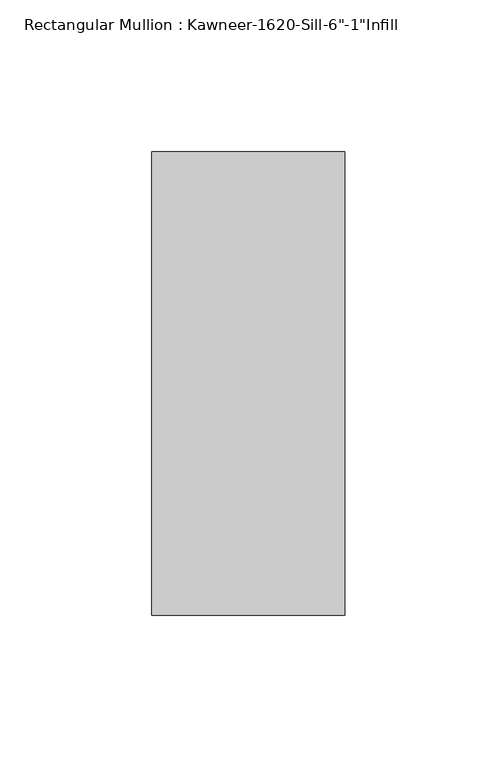
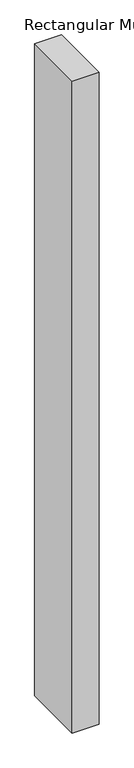
"""IFC4 building model written with IfcOpenShell, lengths in millimetres: member geometry."""

from ifc_helpers import new_model, si_unit, frame, origin, place, context, project, spatial, polyline, outline, extrude, source, transform, mapped, element, save


def member_ada7dc83(model_context):
    return source(origin(), model_context, "Body", "SweptSolid", [
        extrude(outline(polyline([(-63.5, 38.1), (0.0, 38.1), (0.0, -114.3), (-63.5, -114.3), (-63.5, 38.1)])), frame((0.0, 0.0, -1620.1182369), z_axis=(0.0, 0.0, 1.0), x_axis=(1.0, 0.0, 0.0)), (0.0, 0.0, 1.0), 1620.1182369),
    ])


if __name__ == "__main__":
    model = new_model("IFC4")
    model_context = context("Model", 3, world=origin())
    ifc_project = project(units=[si_unit("LENGTHUNIT", "METRE", prefix="MILLI")], contexts=[model_context])
    site = spatial("IfcSite", under=ifc_project)
    building = spatial("IfcBuilding", under=site)
    placement = place(None, origin())
    member_shape = member_ada7dc83(model_context)
    element("IfcMember", 1, ObjectType="Rectangular Mullion : Kawneer-1620-Sill-6\"-1\"Infill", at=placement, inside=building, context=model_context, shape_type="MappedRepresentation", body=[
        mapped(member_shape, transform((0.0, 0.0, 0.0), x_axis=(1.0, 0.0, 0.0), y_axis=(0.0, 1.0, 0.0), z_axis=(0.0, 0.0, 1.0))),
    ])
    save(model, "model.ifc")
